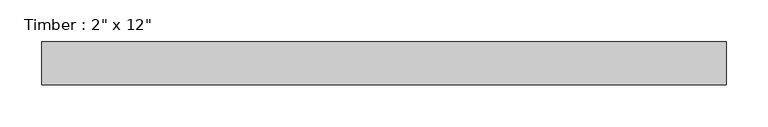
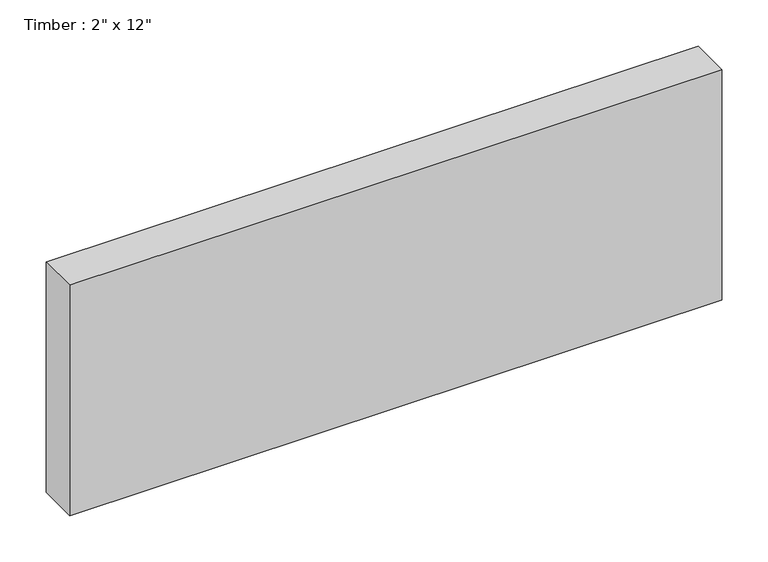
"""IFC4 building model written with IfcOpenShell, lengths in millimetres: beam geometry."""

from ifc_helpers import new_model, si_unit, frame, origin, place, context, project, spatial, polyline, outline, extrude, source, transform, mapped, element, save


def beam_16c31fd3(model_context):
    return source(origin(), model_context, "Body", "SweptSolid", [
        extrude(outline(polyline([(420.0779224, 25.4), (420.0779224, -25.4), (-394.6779224, -25.4), (-394.6779224, 25.4), (420.0779224, 25.4)])), frame((0.0, 0.0, -152.4), z_axis=(0.0, 0.0, 1.0), x_axis=(1.0, 0.0, 0.0)), (0.0, 0.0, 1.0), 304.8),
    ])


if __name__ == "__main__":
    model = new_model("IFC4")
    model_context = context("Model", 3, world=origin())
    ifc_project = project(units=[si_unit("LENGTHUNIT", "METRE", prefix="MILLI")], contexts=[model_context])
    site = spatial("IfcSite", under=ifc_project)
    building = spatial("IfcBuilding", under=site)
    placement = place(None, origin())
    beam_shape = beam_16c31fd3(model_context)
    element("IfcBeam", 1, ObjectType="Timber : 2\" x 12\"", at=placement, inside=building, context=model_context, shape_type="MappedRepresentation", body=[
        mapped(beam_shape, transform((0.0, 0.0, 0.0), x_axis=(1.0, 0.0, 0.0), y_axis=(0.0, 1.0, 0.0), z_axis=(0.0, 0.0, 1.0))),
    ])
    save(model, "model.ifc")
